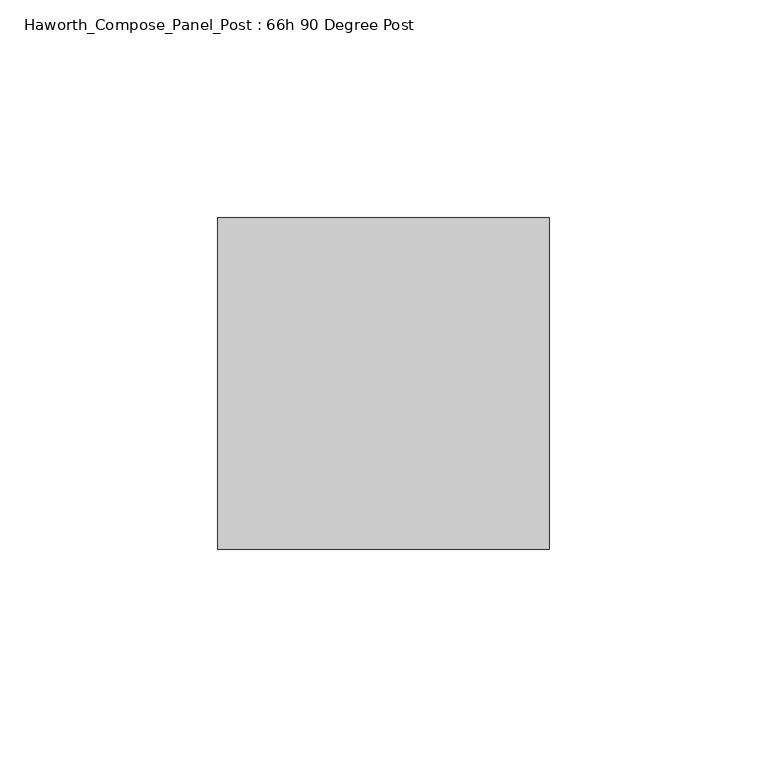
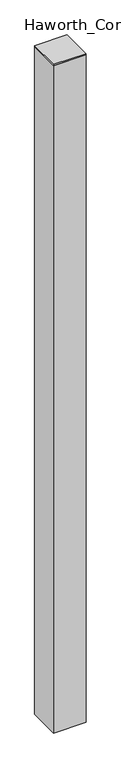
"""IFC4 building model written with IfcOpenShell, lengths in millimetres: furniture geometry, Haworth_Compose_Panel_Post : 66h 90 Degree Post."""

from ifc_helpers import new_model, si_unit, frame, origin, place, context, project, spatial, polyline, outline, extrude, source, transform, mapped, element, save


def haworth_compose_panel_post_66h_90_degree_post_bd11d944(model_context):
    return source(origin(), model_context, "Body", "SweptSolid", [
        extrude(outline(polyline([(0.0, 38.1), (76.2, 38.1), (76.2, -38.1), (0.0, -38.1), (0.0, 38.1)])), frame((0.0, 0.0, 1670.05), z_axis=(0.0, 0.0, 1.0), x_axis=(1.0, 0.0, 0.0)), (0.0, 0.0, 1.0), 3.175),
        extrude(outline(polyline([(76.2, 38.1), (76.2, -38.1), (0.0, -38.1), (0.0, 38.1), (76.2, 38.1)])), frame((0.0, 0.0, 12.7), z_axis=(0.0, 0.0, 1.0), x_axis=(1.0, 0.0, 0.0)), (0.0, 0.0, 1.0), 1657.35),
    ])


if __name__ == "__main__":
    model = new_model("IFC4")
    model_context = context("Model", 3, world=origin())
    ifc_project = project(units=[si_unit("LENGTHUNIT", "METRE", prefix="MILLI")], contexts=[model_context])
    site = spatial("IfcSite", under=ifc_project)
    building = spatial("IfcBuilding", under=site)
    placement = place(None, origin())
    haworth_compose_panel_post_66h_90_degree_post_shape = haworth_compose_panel_post_66h_90_degree_post_bd11d944(model_context)
    element("IfcFurniture", 1, ObjectType="Haworth_Compose_Panel_Post : 66h 90 Degree Post", at=placement, inside=building, context=model_context, shape_type="MappedRepresentation", body=[
        mapped(haworth_compose_panel_post_66h_90_degree_post_shape, transform((0.0, 0.0, 0.0), x_axis=(1.0, 0.0, 0.0), y_axis=(0.0, 1.0, 0.0), z_axis=(0.0, 0.0, 1.0))),
    ])
    save(model, "model.ifc")
